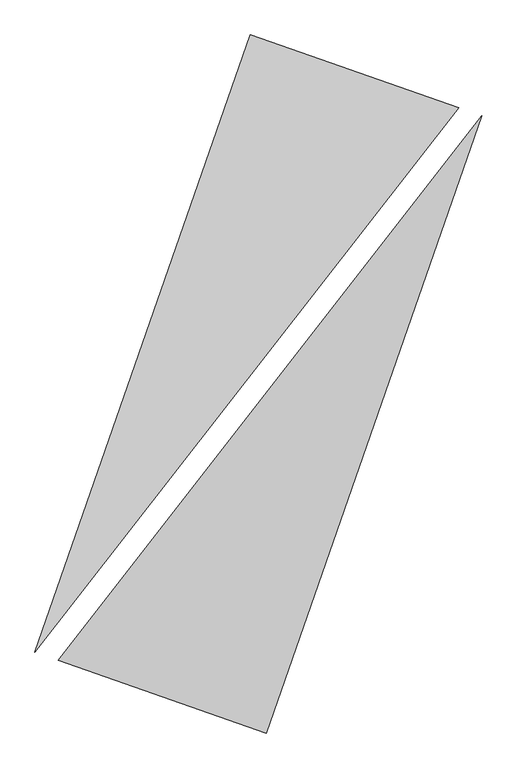
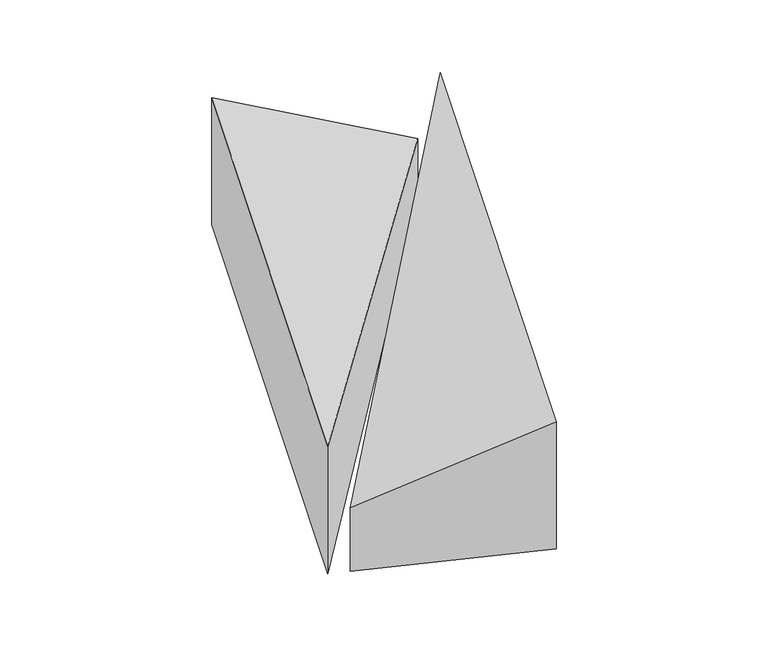
"""IFC4 building model written with IfcOpenShell, lengths in millimetres: proxy geometry."""

from ifc_helpers import new_model, si_unit, origin, place, context, project, spatial, faceted_brep, source, transform, mapped, element, save


def generic_models_22addefc(model_context):
    return source(origin(), model_context, "Body", "Brep", [
        faceted_brep([(1225.8207148, 1690.3737975, 0.0), (-48.7031458, 2135.4456218, 0.0), (-48.7031458, 2135.4456218, 1000.0), (1225.8207148, 1690.3737975, 500.0), (-1367.4344771, -1640.9213725, 0.0), (-1367.4344771, -1640.9213725, 1000.0)], [[[0, 1, 2, 3]], [[1, 4, 5, 2]], [[4, 0, 3, 5]], [[3, 2, 5]], [[0, 4, 1]]]),
        faceted_brep([(48.7031458, -2135.4456218, 0.0), (1367.4344771, 1640.9213725, 0.0), (1367.4344771, 1640.9213725, 1000.0), (48.7031458, -2135.4456218, 1000.0), (-1225.8207148, -1690.3737975, 0.0), (-1225.8207148, -1690.3737975, 500.0)], [[[0, 1, 2, 3]], [[1, 4, 5, 2]], [[4, 0, 3, 5]], [[2, 5, 3]], [[0, 4, 1]]]),
    ])


if __name__ == "__main__":
    model = new_model("IFC4")
    model_context = context("Model", 3, world=origin())
    ifc_project = project(units=[si_unit("LENGTHUNIT", "METRE", prefix="MILLI")], contexts=[model_context])
    site = spatial("IfcSite", under=ifc_project)
    building = spatial("IfcBuilding", under=site)
    placement = place(None, origin())
    generic_models_shape = generic_models_22addefc(model_context)
    element("IfcBuildingElementProxy", 1, Name="Generic Models", at=placement, inside=building, context=model_context, shape_type="MappedRepresentation", body=[
        mapped(generic_models_shape, transform((0.0, 0.0, 0.0), x_axis=(1.0, 0.0, 0.0), y_axis=(0.0, 1.0, 0.0), z_axis=(0.0, 0.0, 1.0))),
    ])
    save(model, "model.ifc")
